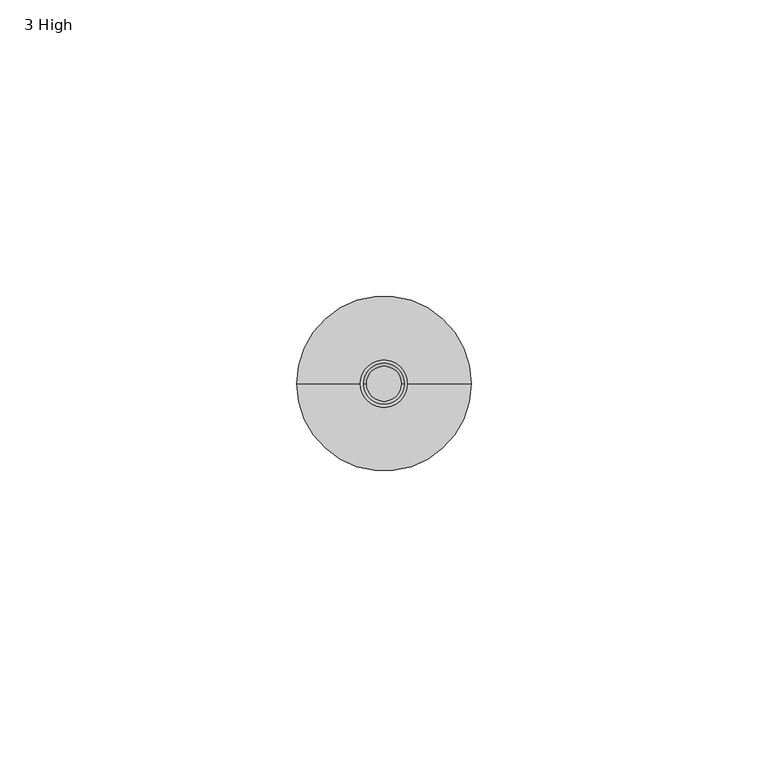
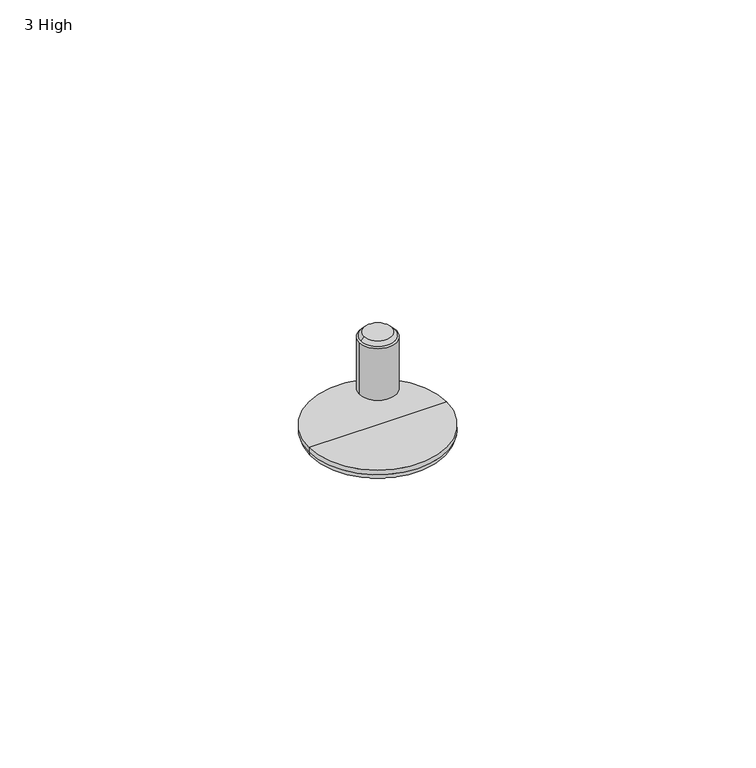
"""IFC4 building model written with IfcOpenShell, lengths in millimetres: furniture geometry, 3 High."""

import ifcopenshell
import ifcopenshell.guid

model = None  # the IFC model being written
_history = None  # IfcOwnerHistory: only IFC2X3 demands one
_inside = {}  # id of a spatial element -> (the spatial element, [elements in it])
_under = {}  # id of a project, library or spatial element -> (it, [spatial elements below it])
_declared = {}  # id of a project -> (the project, [libraries it declares])
_typed = {}  # id of a type object -> (the type object, [elements of that type])
_made_of = {}  # id of a material, layer set ... -> (it, [elements and type objects made of it])


def new_model(schema):
    """Start an empty IFC model of exactly this schema.

    Asked for "IFC4X3", IfcOpenShell would pick the latest addendum, in which some entities
    have other attributes; the version numbers below select the first issue.
    IFC2X3 requires an IfcOwnerHistory on every rooted entity: one is made here for all.
    """
    global model, _history
    if schema == "IFC4X3":
        model = ifcopenshell.file(schema_version=(4, 3, 0, 0))
    else:
        model = ifcopenshell.file(schema=schema)
    _inside.clear()
    _under.clear()
    _declared.clear()
    _typed.clear()
    _made_of.clear()
    _history = None
    if model.schema == "IFC2X3":
        org = make("IfcOrganization", Name="unknown")
        user = make(
            "IfcPersonAndOrganization",
            ThePerson=make("IfcPerson", FamilyName="unknown"),
            TheOrganization=org,
        )
        app = make(
            "IfcApplication",
            ApplicationDeveloper=org,
            Version="unknown",
            ApplicationFullName="unknown",
            ApplicationIdentifier="unknown",
        )
        _history = make(
            "IfcOwnerHistory",
            OwningUser=user,
            OwningApplication=app,
            ChangeAction="ADDED",
            CreationDate=0,
        )
    return model


def make(cls, **values):
    """One entity of the class cls with the attributes given. An attribute that is None is left unset."""
    return model.create_entity(
        cls, **{name: value for name, value in values.items() if value is not None}
    )


def rooted(cls, **values):
    """An entity with a GlobalId (a new one), such as an element, a storey or a relation."""
    return make(cls, GlobalId=ifcopenshell.guid.new(), OwnerHistory=_history, **values)


def si_unit(unit_type, name, prefix=None):
    """IfcSIUnit, for example si_unit("LENGTHUNIT", "METRE", prefix="MILLI")."""
    return make("IfcSIUnit", UnitType=unit_type, Prefix=prefix, Name=name)


def assignment(units):
    """IfcUnitAssignment: the units of a project."""
    return None if units is None else make("IfcUnitAssignment", Units=units)


def point(xyz):
    """IfcCartesianPoint."""
    return None if xyz is None else make("IfcCartesianPoint", Coordinates=xyz)


def direction(xyz):
    """IfcDirection."""
    return None if xyz is None else make("IfcDirection", DirectionRatios=xyz)


def frame(location, z_axis=None, x_axis=None):
    """IfcAxis2Placement3D, a coordinate frame: its origin and axes. An axis left out is left unset."""
    return make(
        "IfcAxis2Placement3D",
        Location=point(location),
        Axis=direction(z_axis),
        RefDirection=direction(x_axis),
    )


def frame_2d(location, x_axis=None):
    """IfcAxis2Placement2D, a coordinate frame in the plane: its origin and x axis."""
    return make(
        "IfcAxis2Placement2D", Location=point(location), RefDirection=direction(x_axis)
    )


def origin():
    """The frame at (0, 0, 0) with its axes left unset."""
    return frame((0.0, 0.0, 0.0))


def place(relative_to, where):
    """IfcLocalPlacement: puts the frame where relative to a parent placement (None: the world)."""
    return make(
        "IfcLocalPlacement", PlacementRelTo=relative_to, RelativePlacement=where
    )


def context(
    kind, dimensions, precision=None, world=None, true_north=None, identifier=None
):
    """IfcGeometricRepresentationContext, for example the 3D "Model" context."""
    return make(
        "IfcGeometricRepresentationContext",
        ContextIdentifier=identifier,
        ContextType=kind,
        CoordinateSpaceDimension=dimensions,
        Precision=precision,
        WorldCoordinateSystem=world,
        TrueNorth=true_north,
    )


def project(units=None, contexts=None):
    """IfcProject with its units and contexts."""
    return rooted(
        "IfcProject",
        Name="project",
        RepresentationContexts=contexts,
        UnitsInContext=assignment(units),
    )


def spatial(cls, under=None, at=None, **own):
    """A site, building, storey or space (cls), placed at a placement, below another one or the project."""
    s = rooted(cls, ObjectPlacement=at, **own)
    if under is not None:
        _under.setdefault(under.id(), (under, []))[1].append(s)
    return s


def circle_curve(where, radius):
    """IfcCircle in the frame where."""
    return make("IfcCircle", Position=where, Radius=radius)


def ellipse_curve(where, semi_axis1, semi_axis2):
    """IfcEllipse in the frame where."""
    return make(
        "IfcEllipse", Position=where, SemiAxis1=semi_axis1, SemiAxis2=semi_axis2
    )


def trimmed(basis, trim1, trim2, sense, master):
    """IfcTrimmedCurve: the piece of a basis curve between two trims."""
    return make(
        "IfcTrimmedCurve",
        BasisCurve=basis,
        Trim1=trim1,
        Trim2=trim2,
        SenseAgreement=sense,
        MasterRepresentation=master,
    )


def segment(curve, same_sense, transition):
    """IfcCompositeCurveSegment."""
    return make(
        "IfcCompositeCurveSegment",
        Transition=transition,
        SameSense=same_sense,
        ParentCurve=curve,
    )


def composite_curve(segments, self_intersect=None):
    """IfcCompositeCurve: segments joined end to end."""
    return make("IfcCompositeCurve", Segments=segments, SelfIntersect=self_intersect)


def outline(outer, holes=None, kind="AREA"):
    """IfcArbitraryClosedProfileDef: a profile drawn as a closed curve; with holes, ...WithVoids."""
    if holes is None:
        return make("IfcArbitraryClosedProfileDef", ProfileType=kind, OuterCurve=outer)
    return make(
        "IfcArbitraryProfileDefWithVoids",
        ProfileType=kind,
        OuterCurve=outer,
        InnerCurves=holes,
    )


def extrude(swept, where, along, depth):
    """IfcExtrudedAreaSolid: the profile swept, set in the frame where, extruded along a direction by depth."""
    return make(
        "IfcExtrudedAreaSolid",
        SweptArea=swept,
        Position=where,
        ExtrudedDirection=direction(along),
        Depth=depth,
    )


def shape(context_of_items, identifier, shape_type, items):
    """IfcShapeRepresentation: the items that make up one representation, for example the "Body"."""
    return make(
        "IfcShapeRepresentation",
        ContextOfItems=context_of_items,
        RepresentationIdentifier=identifier,
        RepresentationType=shape_type,
        Items=items,
    )


def source(mapping_origin, context_of_items, identifier, shape_type, items):
    """IfcRepresentationMap: a shape defined once, which mapped items show again and again."""
    return make(
        "IfcRepresentationMap",
        MappingOrigin=mapping_origin,
        MappedRepresentation=shape(context_of_items, identifier, shape_type, items),
    )


def transform(
    local_origin,
    x_axis=None,
    y_axis=None,
    z_axis=None,
    scale=None,
    scale2=None,
    scale3=None,
    uniform=True,
):
    """IfcCartesianTransformationOperator3D, or its non-uniform kind. x_axis, y_axis, z_axis: its Axis1, 2, 3."""
    if uniform:
        return make(
            "IfcCartesianTransformationOperator3D",
            Axis1=direction(x_axis),
            Axis2=direction(y_axis),
            LocalOrigin=point(local_origin),
            Scale=scale,
            Axis3=direction(z_axis),
        )
    return make(
        "IfcCartesianTransformationOperator3DnonUniform",
        Axis1=direction(x_axis),
        Axis2=direction(y_axis),
        LocalOrigin=point(local_origin),
        Scale=scale,
        Axis3=direction(z_axis),
        Scale2=scale2,
        Scale3=scale3,
    )


def mapped(mapping_source, mapping_target):
    """IfcMappedItem: shows the shape of a source again, moved by a transform."""
    return make(
        "IfcMappedItem", MappingSource=mapping_source, MappingTarget=mapping_target
    )


def made_of(thing, what):
    """Note that an element or type object is made of a material, layer set ...; save() writes the relation."""
    if what is not None:
        _made_of.setdefault(what.id(), (what, []))[1].append(thing)
    return thing


def element(
    cls,
    number,
    at=None,
    inside=None,
    cuts=None,
    type_object=None,
    material=None,
    context=None,
    identifier="Body",
    shape_type=None,
    held_by="IfcProductDefinitionShape",
    body=None,
    shapes=None,
    **own,
):
    """One element of the class cls, such as IfcWall. Its Tag is "e" and its number.

    at: its placement. inside: the storey or other place that contains it. cuts: it is an
    opening in that element (IfcRelVoidsElement). A single representation is given by context,
    identifier, shape_type and body (its items); several are given by shapes. held_by: the class
    of the entity that holds the representations. save() writes the other relations.
    """
    e = rooted(cls, Tag="e%d" % number, ObjectPlacement=at, **own)
    if body is not None:
        shapes = [shape(context, identifier, shape_type, body)]
    if shapes is not None:
        e.Representation = make(held_by, Representations=shapes)
    if inside is not None:
        _inside.setdefault(inside.id(), (inside, []))[1].append(e)
    if cuts is not None:
        rooted(
            "IfcRelVoidsElement", RelatingBuildingElement=cuts, RelatedOpeningElement=e
        )
    if type_object is not None:
        _typed.setdefault(type_object.id(), (type_object, []))[1].append(e)
    return made_of(e, material)


def aggregate(whole, parts):
    """IfcRelAggregates: a whole, such as a stair, and the parts it consists of."""
    return rooted("IfcRelAggregates", RelatingObject=whole, RelatedObjects=parts)


def save(model, path):
    """Write the relations noted so far, then the file.

    IfcRelAggregates (storeys below a building ...), IfcRelContainedInSpatialStructure (elements
    in a storey), IfcRelDefinesByType, IfcRelAssociatesMaterial and IfcRelDeclares: one each for
    every whole, place, type object, material and project.
    """
    for whole, parts in _under.values():
        aggregate(whole, parts)
    for where, things in _inside.values():
        rooted(
            "IfcRelContainedInSpatialStructure",
            RelatedElements=things,
            RelatingStructure=where,
        )
    for kind, things in _typed.values():
        rooted("IfcRelDefinesByType", RelatedObjects=things, RelatingType=kind)
    for what, things in _made_of.values():
        rooted("IfcRelAssociatesMaterial", RelatedObjects=things, RelatingMaterial=what)
    for by, libraries in _declared.values():
        rooted("IfcRelDeclares", RelatingContext=by, RelatedDefinitions=libraries)
    model.write(path)


def plane_surface(at):
    """IfcPlane: the flat surface through the origin of the frame at, square to its z axis."""
    return make("IfcPlane", Position=at)


def cylinder_surface(at, radius):
    """IfcCylindricalSurface: all points at the distance radius from the z axis of the frame at."""
    return make("IfcCylindricalSurface", Position=at, Radius=radius)


def revolved_surface(curve, axis_point, axis_direction):
    """IfcSurfaceOfRevolution: the curve turned about the line through axis_point along axis_direction."""
    return make(
        "IfcSurfaceOfRevolution",
        SweptCurve=make("IfcArbitraryOpenProfileDef", ProfileType="CURVE", Curve=curve),
        AxisPosition=make("IfcAxis1Placement", Location=point(axis_point), Axis=direction(axis_direction)),
    )


def spline_surface(u_degree, v_degree, points, u_multiplicities, v_multiplicities, u_knots, v_knots, weights=None):
    """IfcBSplineSurfaceWithKnots; with weights, IfcRationalBSplineSurfaceWithKnots. points: one row for each step in u."""
    own = dict(
        UDegree=u_degree,
        VDegree=v_degree,
        ControlPointsList=[[point(p) for p in row] for row in points],
        SurfaceForm="UNSPECIFIED",
        UClosed=False,
        VClosed=False,
        SelfIntersect=False,
        UMultiplicities=u_multiplicities,
        VMultiplicities=v_multiplicities,
        UKnots=u_knots,
        VKnots=v_knots,
        KnotSpec="UNSPECIFIED",
    )
    if weights is None:
        return make("IfcBSplineSurfaceWithKnots", **own)
    return make("IfcRationalBSplineSurfaceWithKnots", WeightsData=weights, **own)


def advanced_brep(points, edges, surfaces, faces):
    """IfcAdvancedBrep: a solid bounded by faces that lie on surfaces and meet in shared edges.

    An edge is (start, end): straight between two places in points (the first is 0);
    or (start, end, curve); or (start, end, curve, False) where it runs against its curve.
    A face is (place in surfaces, loops), or (place, loops, False) where it looks against
    its surface's normal. A loop lists edges by number (the first is 1), with a minus sign
    where the edge is run from its end to its start. The first loop is the outer one.
    """
    corners = [point(p) for p in points]
    vertices = [make("IfcVertexPoint", VertexGeometry=c) for c in corners]
    made = []
    for start, end, *more in edges:
        made.append(
            make(
                "IfcEdgeCurve",
                EdgeStart=vertices[start],
                EdgeEnd=vertices[end],
                EdgeGeometry=more[0] if more else make("IfcPolyline", Points=[corners[start], corners[end]]),
                SameSense=more[1] if len(more) > 1 else True,
            )
        )
    hull = []
    for where, loops, *sense in faces:
        bounds = []
        for j, loop in enumerate(loops):
            ring = [make("IfcOrientedEdge", EdgeElement=made[abs(k) - 1], Orientation=k > 0) for k in loop]
            bounds.append(
                make(
                    "IfcFaceOuterBound" if j == 0 else "IfcFaceBound",
                    Bound=make("IfcEdgeLoop", EdgeList=ring),
                    Orientation=True,
                )
            )
        hull.append(make("IfcAdvancedFace", Bounds=bounds, FaceSurface=surfaces[where], SameSense=sense[0] if sense else True))
    return make("IfcAdvancedBrep", Outer=make("IfcClosedShell", CfsFaces=hull))


def furniture_3_high_e7661cec(model_context):
    return source(origin(), model_context, "Body", "SolidModel", [
        advanced_brep(
        [(65.5310488, 314.3469759, 2.6178944), (36.0749366, 314.3469759, 2.6178944), (50.8029927, 314.3469759, 2.6178944), (65.5310488, 314.3469759, 1.580664), (36.0749366, 314.3469759, 1.580664), (63.9503848, 314.3469759, 0.0), (37.6556006, 314.3469759, 0.0), (50.8029927, 314.3469759, 0.0)],
        [
            (0, 1, circle_curve(frame((50.8029927, 314.3469759, 2.6178944), z_axis=(0.0, 0.0, 1.0), x_axis=(-1.0, 0.0, 0.0)), 14.7280561)),
            (1, 2),
            (2, 0),
            (1, 0, circle_curve(frame((50.8029927, 314.3469759, 2.6178944), z_axis=(0.0, 0.0, 1.0), x_axis=(-1.0, 0.0, 0.0)), 14.7280561)),
            (3, 4, circle_curve(frame((50.8029927, 314.3469759, 1.580664), z_axis=(0.0, 0.0, 1.0), x_axis=(-1.0, 0.0, 0.0)), 14.7280561)),
            (4, 1),
            (0, 3),
            (4, 3, circle_curve(frame((50.8029927, 314.3469759, 1.580664), z_axis=(0.0, 0.0, 1.0), x_axis=(-1.0, 0.0, 0.0)), 14.7280561)),
            (5, 6, circle_curve(frame((50.8029927, 314.3469759, 0.0), z_axis=(0.0, 0.0, 1.0), x_axis=(-1.0, 0.0, 0.0)), 13.1473921)),
            (6, 4, circle_curve(frame((37.6556006, 314.3469759, 1.580664), z_axis=(0.0, 1.0, 0.0), x_axis=(1.0, 0.0, 0.0)), 1.580664)),
            (3, 5, circle_curve(frame((63.9503848, 314.3469759, 1.580664), z_axis=(0.0, 1.0, 0.0), x_axis=(-1.0, 0.0, 0.0)), 1.580664)),
            (6, 5, circle_curve(frame((50.8029927, 314.3469759, 0.0), z_axis=(0.0, 0.0, 1.0), x_axis=(-1.0, 0.0, 0.0)), 13.1473921)),
            (7, 6),
            (5, 7),
        ],
        [
            plane_surface(frame((50.8029927, 314.3469759, 2.6178944), z_axis=(0.0, 0.0, 1.0), x_axis=(-1.0, 0.0, 0.0))),
            cylinder_surface(frame((50.8029927, 314.3469759, 2.6178944), z_axis=(0.0, 0.0, -1.0), x_axis=(-1.0, 0.0, 0.0)), 14.7280561),
            revolved_surface(trimmed(ellipse_curve(frame((37.6556006, 314.3469759, 1.580664), z_axis=(0.0, -1.0, 0.0), x_axis=(1.0, 0.0, 0.0)), 1.580664, 1.580664), [point((36.0749366, 314.3469759, 1.580664))], [point((37.6556006, 314.3469759, 0.0))], True, "CARTESIAN"), (50.8029927, 314.3469759, 2.6178944), (0.0, 0.0, -1.0)),
            plane_surface(frame((50.8029927, 314.3469759, 0.0), z_axis=(0.0, 0.0, -1.0), x_axis=(-1.0, 0.0, 0.0))),
        ],
        [
            (0, [[1, 2, 3]]),
            (0, [[4, -3, -2]]),
            (1, [[5, 6, -1, 7]]),
            (1, [[8, -7, -4, -6]]),
            (2, [[9, 10, -5, 11]]),
            (2, [[12, -11, -8, -10]]),
            (3, [[13, -9, 14]]),
            (3, [[-14, -12, -13]]),
        ],
    ),
        extrude(outline(composite_curve([segment(trimmed(circle_curve(frame_2d((50.7916786, 314.3066921)), 3.9557313), [point((46.8359473, 314.3066921))], [point((54.7474099, 314.3066921))], False, "CARTESIAN"), True, "CONTINUOUS"), segment(trimmed(circle_curve(frame_2d((50.7916786, 314.3066921)), 3.9557313), [point((54.7474099, 314.3066921))], [point((46.8359473, 314.3066921))], False, "CARTESIAN"), True, "CONTINUOUS")], self_intersect=False)), frame((0.0, 0.0, 10.8986525), z_axis=(0.0, 0.0, 1.0), x_axis=(1.0, 0.0, 0.0)), (0.0, 0.0, 1.0), 11.6640053),
        advanced_brep(
        [(46.8582767, 314.3151933, 22.5626578), (54.7482407, 314.3151933, 22.5626578), (47.8550405, 314.3151933, 23.622), (53.7262577, 314.3151933, 23.622)],
        [
            (0, 1, circle_curve(frame((50.8032587, 314.3151933, 22.5626578), z_axis=(0.0, 0.0, -1.0), x_axis=(1.0, 0.0, 0.0)), 3.944982)),
            (1, 0, circle_curve(frame((50.8032587, 314.3151933, 22.5626578), z_axis=(0.0, 0.0, -1.0), x_axis=(1.0, 0.0, 0.0)), 3.944982)),
            (2, 3, circle_curve(frame((50.7906491, 314.3151933, 23.622), z_axis=(0.0, 0.0, 1.0), x_axis=(1.0, 0.0, 0.0)), 2.9356086)),
            (3, 2, circle_curve(frame((50.7906491, 314.3151933, 23.622), z_axis=(0.0, 0.0, 1.0), x_axis=(1.0, 0.0, 0.0)), 2.9356086)),
            (3, 1),
            (0, 2),
        ],
        [
            plane_surface(frame((50.8032587, 314.3151933, 22.5626578), z_axis=(0.0, 0.0, -1.0), x_axis=(0.0, -1.0, 0.0))),
            plane_surface(frame((50.7906491, 314.3151933, 23.622), z_axis=(0.0, 0.0, 1.0), x_axis=(0.0, -1.0, 0.0))),
            spline_surface(2, 1, [[(47.8550405, 314.3151933, 23.622), (46.8582767, 314.3151933, 22.5626578)], [(47.8550405, 317.2508019, 23.622), (46.8582767, 318.26017529999996, 22.5626578)], [(50.7906491, 317.2508019, 23.622), (50.8032587, 318.26017529999996, 22.5626578)], [(53.726257700000005, 317.2508019, 23.622), (54.748240700000004, 318.2601753, 22.5626578)], [(53.7262577, 314.3151933, 23.622), (54.7482407, 314.3151933, 22.5626578)]], [3, 2, 3], [2, 2], [0.0, 1.0, 2.0], [0.0, 1.0], weights=[[1.0, 1.0], [0.7071067811865476, 0.7071067811865476], [1.0, 1.0], [0.7071067811865469, 0.7071067811865469], [1.0, 1.0]]),
            spline_surface(2, 1, [[(53.7262577, 314.3151933, 23.622), (54.7482407, 314.3151933, 22.5626578)], [(53.7262577, 311.3795847, 23.622), (54.7482407, 310.3702113, 22.5626578)], [(50.7906491, 311.3795847, 23.622), (50.8032587, 310.3702113, 22.5626578)], [(47.85504050000001, 311.3795847, 23.622), (46.858276700000005, 310.3702113, 22.5626578)], [(47.8550405, 314.3151933, 23.622), (46.8582767, 314.3151933, 22.5626578)]], [3, 2, 3], [2, 2], [0.0, 1.0, 2.0], [0.0, 1.0], weights=[[1.0, 1.0], [0.7071067811865476, 0.7071067811865476], [1.0, 1.0], [0.7071067811865481, 0.7071067811865481], [1.0, 1.0]]),
        ],
        [
            (0, [[1, 2]]),
            (1, [[3, 4]]),
            (2, [[-4, 5, -1, 6]]),
            (3, [[-3, -6, -2, -5]]),
        ],
    ),
    ])


if __name__ == "__main__":
    model = new_model("IFC4")
    model_context = context("Model", 3, world=origin())
    ifc_project = project(units=[si_unit("LENGTHUNIT", "METRE", prefix="MILLI")], contexts=[model_context])
    site = spatial("IfcSite", under=ifc_project)
    building = spatial("IfcBuilding", under=site)
    placement = place(None, origin())
    furniture_3_high_shape = furniture_3_high_e7661cec(model_context)
    element("IfcFurniture", 1, ObjectType="3 High", at=placement, inside=building, context=model_context, shape_type="MappedRepresentation", body=[
        mapped(furniture_3_high_shape, transform((0.0, 0.0, 0.0), x_axis=(1.0, 0.0, 0.0), y_axis=(0.0, 1.0, 0.0), z_axis=(0.0, 0.0, 1.0))),
    ])
    save(model, "model.ifc")
